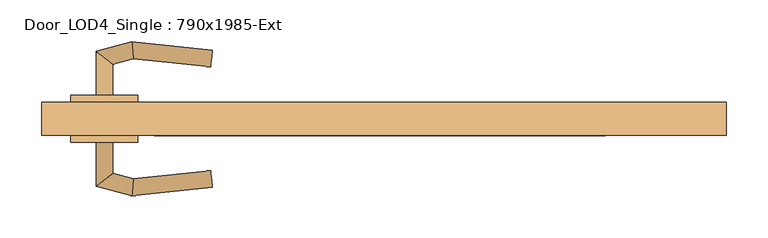
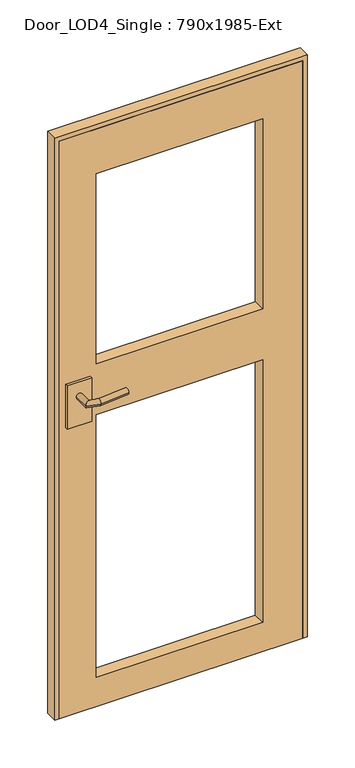
"""IFC4 building model written with IfcOpenShell, lengths in millimetres: door geometry, Door_LOD4_Single : 790x1985-Ext."""

from ifc_helpers import new_model, si_unit, frame, origin, place, context, project, spatial, polyline, circle_curve, ellipse_curve, outline, extrude, source, transform, mapped, element, save
from ifc_brep_helpers import plane_surface, cylinder_surface, advanced_brep


def door_lod4_single_790x1985_ext_0c6581e3(model_context):
    return source(origin(), model_context, "Body", "SolidModel", [
        extrude(outline(polyline([(1985.0000795, -395.0), (0.0, -395.0), (0.0, 395.0), (1985.0000795, 395.0), (1985.0000795, -395.0)]), holes=[polyline([(1002.5, 265.0), (100.0, 265.0), (100.0, -275.0), (1002.5, -275.0), (1002.5, 265.0)]), polyline([(1830.0000795, 265.0), (1177.5, 265.0), (1177.5, -275.0), (1830.0000795, -275.0), (1830.0000795, 265.0)])]), frame((0.0, -20.0, 0.0), z_axis=(0.0, 1.0, 0.0), x_axis=(0.0, 0.0, 1.0)), (0.0, 0.0, 1.0), 40.0),
        advanced_brep(
        [(-345.0, 28.0, 1092.5000397), (-325.0, 28.0, 1092.5000397), (-345.0, 80.6732699, 1092.5000397), (-325.0, 65.3267301, 1092.5000397), (-301.9904081, 92.1976553, 1092.5000397), (-300.3947841, 71.9196778, 1092.5000397), (-205.6930557, 82.0736521, 1092.5000397), (-207.7841855, 62.1832731, 1092.5000397)],
        [
            (0, 1, circle_curve(frame((-335.0, 28.0, 1092.5000397), z_axis=(0.0, -1.0, 0.0), x_axis=(1.0, 0.0, 0.0)), 10.0)),
            (1, 0, circle_curve(frame((-335.0, 28.0, 1092.5000397), z_axis=(0.0, -1.0, 0.0), x_axis=(1.0, 0.0, 0.0)), 10.0)),
            (0, 2),
            (2, 3, ellipse_curve(frame((-335.0, 73.0, 1092.5000397), z_axis=(-0.6087614290087403, -0.79335334029122, 0.0), x_axis=(0.7933533402912198, -0.6087614290087406, 0.0)), 12.6047241, 10.0)),
            (3, 1),
            (3, 2, ellipse_curve(frame((-335.0, 73.0, 1092.5000397), z_axis=(-0.6087614290087403, -0.79335334029122, 0.0), x_axis=(0.7933533402912198, -0.6087614290087406, 0.0)), 12.6047241, 10.0)),
            (2, 4),
            (4, 5, ellipse_curve(frame((-301.1925961, 82.0586666, 1092.5000397), z_axis=(-0.9969184391323764, -0.07844504903348702, 0.0), x_axis=(0.07844504903348593, -0.9969184391323765, 0.0)), 10.1703292, 10.0)),
            (5, 3),
            (5, 4, ellipse_curve(frame((-301.1925961, 82.0586666, 1092.5000397), z_axis=(-0.9969184391323764, -0.07844504903348702, 0.0), x_axis=(0.07844504903348593, -0.9969184391323765, 0.0)), 10.1703292, 10.0)),
            (6, 7, circle_curve(frame((-206.7386206, 72.1284626, 1092.5000397), z_axis=(0.9945189493358518, -0.10455648909519343, 0.0), x_axis=(-0.10455648909519343, -0.9945189493358518, 0.0)), 10.0)),
            (7, 6, circle_curve(frame((-206.7386206, 72.1284626, 1092.5000397), z_axis=(0.9945189493358518, -0.10455648909519343, 0.0), x_axis=(-0.10455648909519343, -0.9945189493358518, 0.0)), 10.0)),
            (4, 6),
            (7, 5),
        ],
        [
            plane_surface(frame((-335.0, 28.0, 1092.5000397), z_axis=(0.0, -1.0, 0.0), x_axis=(0.0, 0.0, 1.0))),
            cylinder_surface(frame((-335.0, 28.0, 1092.5000397), z_axis=(0.0, -1.0, 0.0), x_axis=(1.0, 0.0, 0.0)), 10.0),
            cylinder_surface(frame((-335.0, 73.0, 1092.5000397), z_axis=(-0.965925826289083, -0.2588190451024665, 0.0), x_axis=(0.2588190451024665, -0.965925826289083, 0.0)), 10.0),
            plane_surface(frame((-206.7386206, 72.1284626, 1092.5000397), z_axis=(0.9945189493358518, -0.10455648909519348, 0.0), x_axis=(0.0, 0.0, 1.0))),
            cylinder_surface(frame((-301.1925961, 82.0586666, 1092.5000397), z_axis=(-0.9945189493358518, 0.10455648909519343, 0.0), x_axis=(-0.10455648909519343, -0.9945189493358518, 0.0)), 10.0),
        ],
        [
            (0, [[1, 2]]),
            (1, [[-1, 3, 4, 5]]),
            (1, [[-2, -5, 6, -3]]),
            (2, [[-4, 7, 8, 9]]),
            (2, [[-6, -9, 10, -7]]),
            (3, [[11, 12]]),
            (4, [[-8, 13, -12, 14]]),
            (4, [[-10, -14, -11, -13]]),
        ],
    ),
        extrude(outline(polyline([(-375.0, 28.0), (-295.0, 28.0), (-295.0, 20.0), (-375.0, 20.0), (-375.0, 28.0)])), frame((0.0, 0.0, 992.5000397), z_axis=(0.0, 0.0, 1.0), x_axis=(1.0, 0.0, 0.0)), (0.0, 0.0, 1.0), 150.0),
        advanced_brep(
        [(-345.0, -28.0, 1092.5000397), (-325.0, -28.0, 1092.5000397), (-325.0, -65.3267301, 1092.5000397), (-345.0, -80.6732699, 1092.5000397), (-300.3947841, -71.9196778, 1092.5000397), (-301.9904081, -92.1976553, 1092.5000397), (-205.6930557, -82.0736521, 1092.5000397), (-207.7841855, -62.1832731, 1092.5000397)],
        [
            (0, 1, circle_curve(frame((-335.0, -28.0, 1092.5000397), z_axis=(0.0, 1.0, 0.0), x_axis=(1.0, 0.0, 0.0)), 10.0)),
            (1, 0, circle_curve(frame((-335.0, -28.0, 1092.5000397), z_axis=(0.0, 1.0, 0.0), x_axis=(1.0, 0.0, 0.0)), 10.0)),
            (1, 2),
            (2, 3, ellipse_curve(frame((-335.0, -73.0, 1092.5000397), z_axis=(-0.6087614290087454, 0.793353340291216, 0.0), x_axis=(0.793353340291216, 0.6087614290087459, 0.0)), 12.6047241, 10.0)),
            (3, 0),
            (3, 2, ellipse_curve(frame((-335.0, -73.0, 1092.5000397), z_axis=(-0.6087614290087454, 0.793353340291216, 0.0), x_axis=(0.793353340291216, 0.6087614290087459, 0.0)), 12.6047241, 10.0)),
            (2, 4),
            (4, 5, ellipse_curve(frame((-301.1925961, -82.0586666, 1092.5000397), z_axis=(-0.9969184391323771, 0.07844504903348057, 0.0), x_axis=(0.07844504903348166, 0.9969184391323769, 0.0)), 10.1703292, 10.0)),
            (5, 3),
            (5, 4, ellipse_curve(frame((-301.1925961, -82.0586666, 1092.5000397), z_axis=(-0.9969184391323771, 0.07844504903348057, 0.0), x_axis=(0.07844504903348166, 0.9969184391323769, 0.0)), 10.1703292, 10.0)),
            (6, 7, circle_curve(frame((-206.7386206, -72.1284626, 1092.5000397), z_axis=(0.9945189493358512, 0.10455648909519989, 0.0), x_axis=(-0.10455648909519989, 0.9945189493358512, 0.0)), 10.0)),
            (7, 6, circle_curve(frame((-206.7386206, -72.1284626, 1092.5000397), z_axis=(0.9945189493358512, 0.10455648909519989, 0.0), x_axis=(-0.10455648909519989, 0.9945189493358512, 0.0)), 10.0)),
            (4, 7),
            (6, 5),
        ],
        [
            plane_surface(frame((-335.0, -28.0, 1092.5000397), z_axis=(0.0, 1.0, 0.0), x_axis=(0.0, 0.0, 1.0))),
            cylinder_surface(frame((-335.0, -28.0, 1092.5000397), z_axis=(0.0, 1.0, 0.0), x_axis=(1.0, 0.0, 0.0)), 10.0),
            cylinder_surface(frame((-335.0, -73.0, 1092.5000397), z_axis=(-0.9659258262890846, 0.25881904510246023, 0.0), x_axis=(0.25881904510246023, 0.9659258262890846, 0.0)), 10.0),
            plane_surface(frame((-206.7386206, -72.1284626, 1092.5000397), z_axis=(0.9945189493358512, 0.10455648909519995, 0.0), x_axis=(0.0, 0.0, 1.0))),
            cylinder_surface(frame((-301.1925961, -82.0586666, 1092.5000397), z_axis=(-0.9945189493358512, -0.10455648909519989, 0.0), x_axis=(-0.10455648909519989, 0.9945189493358512, 0.0)), 10.0),
        ],
        [
            (0, [[1, 2]]),
            (1, [[3, 4, 5, -2]]),
            (1, [[-5, 6, -3, -1]]),
            (2, [[7, 8, 9, -4]]),
            (2, [[-9, 10, -7, -6]]),
            (3, [[11, 12]]),
            (4, [[13, -11, 14, -8]]),
            (4, [[-14, -12, -13, -10]]),
        ],
    ),
        extrude(outline(polyline([(-375.0, -28.0), (-375.0, -20.0), (-295.0, -20.0), (-295.0, -28.0), (-375.0, -28.0)])), frame((0.0, 0.0, 992.5000397), z_axis=(0.0, 0.0, 1.0), x_axis=(1.0, 0.0, 0.0)), (0.0, 0.0, 1.0), 150.0),
        extrude(outline(polyline([(2000.0000795, -410.0), (0.0, -410.0), (0.0, -395.0), (1985.0000795, -395.0), (1985.0000795, 395.0), (0.0, 395.0), (0.0, 410.0), (2000.0000795, 410.0), (2000.0000795, -410.0)])), frame((0.0, -20.0, 0.0), z_axis=(0.0, 1.0, 0.0), x_axis=(0.0, 0.0, 1.0)), (0.0, 0.0, 1.0), 40.0),
    ])


if __name__ == "__main__":
    model = new_model("IFC4")
    model_context = context("Model", 3, world=origin())
    ifc_project = project(units=[si_unit("LENGTHUNIT", "METRE", prefix="MILLI")], contexts=[model_context])
    site = spatial("IfcSite", under=ifc_project)
    building = spatial("IfcBuilding", under=site)
    placement = place(None, origin())
    door_lod4_single_790x1985_ext_shape = door_lod4_single_790x1985_ext_0c6581e3(model_context)
    element("IfcDoor", 1, ObjectType="Door_LOD4_Single : 790x1985-Ext", at=placement, inside=building, context=model_context, shape_type="MappedRepresentation", body=[
        mapped(door_lod4_single_790x1985_ext_shape, transform((0.0, 0.0, 0.0), x_axis=(1.0, 0.0, 0.0), y_axis=(0.0, 1.0, 0.0), z_axis=(0.0, 0.0, 1.0))),
    ])
    save(model, "model.ifc")
